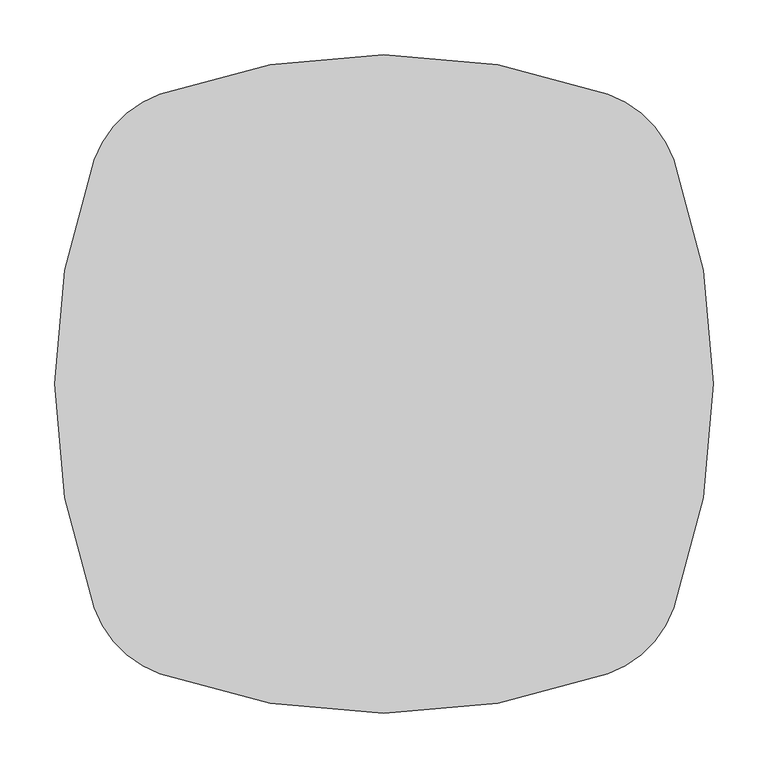
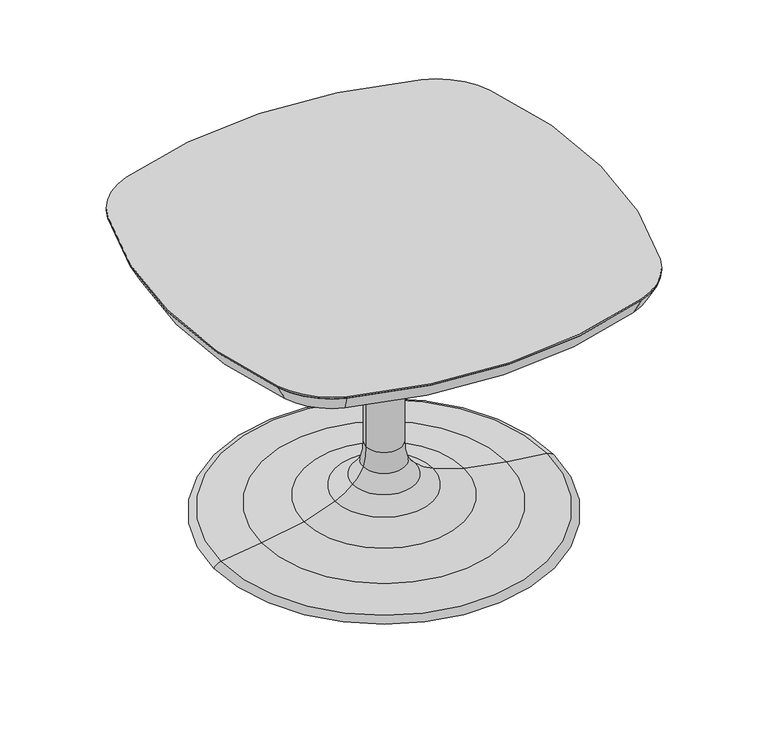
"""IFC4 building model written with IfcOpenShell, lengths in millimetres: furniture geometry."""

from ifc_helpers import new_model, si_unit, point, frame, frame_2d, origin, place, context, project, spatial, polyline, circle_curve, ellipse_curve, trimmed, segment, composite_curve, outline, extrude, source, transform, mapped, element, save
from ifc_brep_helpers import plane_surface, cylinder_surface, revolved_surface, advanced_brep


def furniture_d8aa910e(model_context):
    return source(origin(), model_context, "Body", "SolidModel", [
        advanced_brep(
        [(-24.92375, 0.0, 103.9034704), (24.92375, 0.0, 103.9034704), (28.9852947, 0.0, 76.2614348), (-28.9852947, 0.0, 76.2614348), (-235.1702385, 0.0, 0.0), (235.1702385, 0.0, 0.0), (0.0, 0.0, 0.0), (-225.5797628, 0.0, 6.3317609), (225.5797628, 0.0, 6.3317609), (-169.5916105, 0.0, 13.7450132), (169.5916105, 0.0, 13.7450132), (-111.1444513, 0.0, 24.5145298), (111.1444513, 0.0, 24.5145298), (-67.9920708, 0.0, 39.4343904), (67.9920708, 0.0, 39.4343904), (-43.5947227, 0.0, 55.2178338), (43.5947227, 0.0, 55.2178338), (-24.92375, 0.0, 374.5992), (24.92375, 0.0, 374.5992), (0.0, 0.0, 374.5992)],
        [
            (0, 1, circle_curve(frame((0.0, 0.0, 103.9034704), z_axis=(0.0, 0.0, -1.0), x_axis=(1.0, 0.0, 0.0)), 24.92375)),
            (1, 2, circle_curve(frame((114.4590349, 0.0, 102.9398086), z_axis=(0.0, -1.0, 0.0), x_axis=(1.0, 0.0, 0.0)), 89.5404706)),
            (2, 3, circle_curve(frame((0.0, 0.0, 76.2614348), z_axis=(0.0, 0.0, 1.0), x_axis=(1.0, 0.0, 0.0)), 28.9852947)),
            (3, 0, circle_curve(frame((-114.4590349, 0.0, 102.9398086), z_axis=(0.0, -1.0, 0.0), x_axis=(-1.0, 0.0, 0.0)), 89.5404706)),
            (1, 0, circle_curve(frame((0.0, 0.0, 103.9034704), z_axis=(0.0, 0.0, -1.0), x_axis=(1.0, 0.0, 0.0)), 24.92375)),
            (3, 2, circle_curve(frame((0.0, 0.0, 76.2614348), z_axis=(0.0, 0.0, 1.0), x_axis=(1.0, 0.0, 0.0)), 28.9852947)),
            (4, 5, circle_curve(frame((0.0, 0.0, 0.0), z_axis=(0.0, 0.0, -1.0), x_axis=(1.0, 0.0, 0.0)), 235.1702385)),
            (5, 6),
            (6, 4),
            (5, 4, circle_curve(frame((0.0, 0.0, 0.0), z_axis=(0.0, 0.0, -1.0), x_axis=(1.0, 0.0, 0.0)), 235.1702385)),
            (7, 8, circle_curve(frame((0.0, 0.0, 6.3317609), z_axis=(0.0, 0.0, -1.0), x_axis=(1.0, 0.0, 0.0)), 225.5797628)),
            (8, 5, circle_curve(frame((223.5189163, 0.0, -7.2187678), z_axis=(0.0, 1.0, 0.0), x_axis=(1.0, 0.0, 0.0)), 13.7063459)),
            (4, 7, circle_curve(frame((-223.5189163, 0.0, -7.2187678), z_axis=(0.0, 1.0, 0.0), x_axis=(-1.0, 0.0, 0.0)), 13.7063459)),
            (8, 7, circle_curve(frame((0.0, 0.0, 6.3317609), z_axis=(0.0, 0.0, -1.0), x_axis=(1.0, 0.0, 0.0)), 225.5797628)),
            (9, 10, circle_curve(frame((0.0, 0.0, 13.7450132), z_axis=(0.0, 0.0, -1.0), x_axis=(1.0, 0.0, 0.0)), 169.5916105)),
            (10, 8, circle_curve(frame((5.4338515, 0.0, -1441.1770536), z_axis=(0.0, 1.0, 0.0), x_axis=(1.0, 0.0, 0.0)), 1464.1536771)),
            (7, 9, circle_curve(frame((-5.4338515, 0.0, -1441.1770536), z_axis=(0.0, 1.0, 0.0), x_axis=(-1.0, 0.0, 0.0)), 1464.1536771)),
            (10, 9, circle_curve(frame((0.0, 0.0, 13.7450132), z_axis=(0.0, 0.0, -1.0), x_axis=(1.0, 0.0, 0.0)), 169.5916105)),
            (11, 12, circle_curve(frame((0.0, 0.0, 24.5145298), z_axis=(0.0, 0.0, -1.0), x_axis=(1.0, 0.0, 0.0)), 111.1444513)),
            (12, 10, circle_curve(frame((217.3187895, 0.0, 436.7486305), z_axis=(0.0, -1.0, 0.0), x_axis=(1.0, 0.0, 0.0)), 425.687613)),
            (9, 11, circle_curve(frame((-217.3187895, 0.0, 436.7486305), z_axis=(0.0, -1.0, 0.0), x_axis=(-1.0, 0.0, 0.0)), 425.687613)),
            (12, 11, circle_curve(frame((0.0, 0.0, 24.5145298), z_axis=(0.0, 0.0, -1.0), x_axis=(1.0, 0.0, 0.0)), 111.1444513)),
            (13, 14, circle_curve(frame((0.0, 0.0, 39.4343904), z_axis=(0.0, 0.0, -1.0), x_axis=(1.0, 0.0, 0.0)), 67.9920708)),
            (14, 12, circle_curve(frame((181.690368, 0.0, 298.4171793), z_axis=(0.0, -1.0, 0.0), x_axis=(1.0, 0.0, 0.0)), 282.8416301)),
            (11, 13, circle_curve(frame((-181.690368, 0.0, 298.4171793), z_axis=(0.0, -1.0, 0.0), x_axis=(-1.0, 0.0, 0.0)), 282.8416301)),
            (14, 13, circle_curve(frame((0.0, 0.0, 39.4343904), z_axis=(0.0, 0.0, -1.0), x_axis=(1.0, 0.0, 0.0)), 67.9920708)),
            (15, 16, circle_curve(frame((0.0, 0.0, 55.2178338), z_axis=(0.0, 0.0, -1.0), x_axis=(1.0, 0.0, 0.0)), 43.5947227)),
            (16, 14, circle_curve(frame((104.5303424, 0.0, 122.6615249), z_axis=(0.0, -1.0, 0.0), x_axis=(1.0, 0.0, 0.0)), 90.894451)),
            (13, 15, circle_curve(frame((-104.5303424, 0.0, 122.6615249), z_axis=(0.0, -1.0, 0.0), x_axis=(-1.0, 0.0, 0.0)), 90.894451)),
            (16, 15, circle_curve(frame((0.0, 0.0, 55.2178338), z_axis=(0.0, 0.0, -1.0), x_axis=(1.0, 0.0, 0.0)), 43.5947227)),
            (2, 16, circle_curve(frame((81.3908921, 0.0, 97.0507254), z_axis=(0.0, -1.0, 0.0), x_axis=(1.0, 0.0, 0.0)), 56.3785529)),
            (15, 3, circle_curve(frame((-81.3908921, 0.0, 97.0507254), z_axis=(0.0, -1.0, 0.0), x_axis=(-1.0, 0.0, 0.0)), 56.3785529)),
            (17, 18, circle_curve(frame((0.0, 0.0, 374.5992), z_axis=(0.0, 0.0, -1.0), x_axis=(1.0, 0.0, 0.0)), 24.92375)),
            (18, 1),
            (0, 17),
            (18, 17, circle_curve(frame((0.0, 0.0, 374.5992), z_axis=(0.0, 0.0, -1.0), x_axis=(1.0, 0.0, 0.0)), 24.92375)),
            (19, 18),
            (17, 19),
        ],
        [
            revolved_surface(trimmed(ellipse_curve(frame((114.4590349, 0.0, 102.9398086), z_axis=(0.0, 1.0, 0.0), x_axis=(1.0, 0.0, 0.0)), 89.5404706, 89.5404706), [point((28.9852947, 0.0, 76.2614348))], [point((24.92375, 0.0, 103.9034704))], True, "CARTESIAN"), (0.0, 0.0, 1826.894979), (0.0, 0.0, 1.0)),
            plane_surface(frame((0.0, 0.0, 0.0), z_axis=(0.0, 0.0, -1.0), x_axis=(1.0, 0.0, 0.0))),
            revolved_surface(trimmed(ellipse_curve(frame((223.5189163, 0.0, -7.2187678), z_axis=(0.0, -1.0, 0.0), x_axis=(1.0, 0.0, 0.0)), 13.7063459, 13.7063459), [point((235.1702385, 0.0, 0.0))], [point((225.5797628, 0.0, 6.3317609))], True, "CARTESIAN"), (0.0, 0.0, 1826.894979), (0.0, 0.0, 1.0)),
            revolved_surface(trimmed(ellipse_curve(frame((5.4338515, 0.0, -1441.1770536), z_axis=(0.0, -1.0, 0.0), x_axis=(1.0, 0.0, 0.0)), 1464.1536771, 1464.1536771), [point((225.5797628, 0.0, 6.3317609))], [point((169.5916105, 0.0, 13.7450132))], True, "CARTESIAN"), (0.0, 0.0, 1826.894979), (0.0, 0.0, 1.0)),
            revolved_surface(trimmed(ellipse_curve(frame((217.3187895, 0.0, 436.7486305), z_axis=(0.0, 1.0, 0.0), x_axis=(1.0, 0.0, 0.0)), 425.687613, 425.687613), [point((169.5916105, 0.0, 13.7450132))], [point((111.1444513, 0.0, 24.5145298))], True, "CARTESIAN"), (0.0, 0.0, 1826.894979), (0.0, 0.0, 1.0)),
            revolved_surface(trimmed(ellipse_curve(frame((181.690368, 0.0, 298.4171793), z_axis=(0.0, 1.0, 0.0), x_axis=(1.0, 0.0, 0.0)), 282.8416301, 282.8416301), [point((111.1444513, 0.0, 24.5145298))], [point((67.9920708, 0.0, 39.4343904))], True, "CARTESIAN"), (0.0, 0.0, 1826.894979), (0.0, 0.0, 1.0)),
            revolved_surface(trimmed(ellipse_curve(frame((104.5303424, 0.0, 122.6615249), z_axis=(0.0, 1.0, 0.0), x_axis=(1.0, 0.0, 0.0)), 90.894451, 90.894451), [point((67.9920708, 0.0, 39.4343904))], [point((43.5947227, 0.0, 55.2178338))], True, "CARTESIAN"), (0.0, 0.0, 1826.894979), (0.0, 0.0, 1.0)),
            revolved_surface(trimmed(ellipse_curve(frame((81.3908921, 0.0, 97.0507254), z_axis=(0.0, 1.0, 0.0), x_axis=(1.0, 0.0, 0.0)), 56.3785529, 56.3785529), [point((43.5947227, 0.0, 55.2178338))], [point((28.9852947, 0.0, 76.2614348))], True, "CARTESIAN"), (0.0, 0.0, 1826.894979), (0.0, 0.0, 1.0)),
            cylinder_surface(frame((0.0, 0.0, 1826.894979), z_axis=(0.0, 0.0, 1.0), x_axis=(1.0, 0.0, 0.0)), 24.92375),
            plane_surface(frame((0.0, 0.0, 374.5992), z_axis=(0.0, 0.0, 1.0), x_axis=(1.0, 0.0, 0.0))),
        ],
        [
            (0, [[1, 2, 3, 4]]),
            (0, [[5, -4, 6, -2]]),
            (1, [[7, 8, 9]]),
            (1, [[10, -9, -8]]),
            (2, [[11, 12, -7, 13]]),
            (2, [[14, -13, -10, -12]]),
            (3, [[15, 16, -11, 17]]),
            (3, [[18, -17, -14, -16]]),
            (4, [[19, 20, -15, 21]]),
            (4, [[22, -21, -18, -20]]),
            (5, [[23, 24, -19, 25]]),
            (5, [[26, -25, -22, -24]]),
            (6, [[27, 28, -23, 29]]),
            (6, [[30, -29, -26, -28]]),
            (7, [[-3, 31, -27, 32]]),
            (7, [[-6, -32, -30, -31]]),
            (8, [[33, 34, -1, 35]]),
            (8, [[36, -35, -5, -34]]),
            (9, [[37, -33, 38]]),
            (9, [[-38, -36, -37]]),
        ],
    ),
        advanced_brep(
        [(-264.1875437, -204.1874282, 397.4592), (-204.187464, -264.187508, 397.4592), (204.1873913, -264.187508, 397.4592), (264.1873627, -204.1875366, 397.4592), (264.1873627, 204.1873913, 397.4592), (204.1873913, 264.1873627, 397.4592), (-204.187464, 264.1873627, 397.4592), (-264.1875437, 204.1872829, 397.4592), (-252.2455553, -199.8655176, 374.5992), (-252.2455553, 199.8653723, 374.5992), (-199.8655533, 252.2453742, 374.5992), (199.8654807, 252.2453742, 374.5992), (252.2453742, 199.8654807, 374.5992), (252.2453742, -199.865626, 374.5992), (199.8654807, -252.2455195, 374.5992), (-199.8655533, -252.2455195, 374.5992)],
        [
            (0, 1, circle_curve(frame((-170.1569742, -170.1569384, 397.4592), z_axis=(0.0, 0.0, 1.0), x_axis=(-0.9403140528037179, -0.3403079224758758, 0.0)), 99.9991112)),
            (1, 2, circle_curve(frame((-3.63e-05, 300.0083126, 397.4592), z_axis=(0.0, 0.0, 1.0), x_axis=(-0.3403079224829072, -0.9403140528011732, 0.0)), 600.007858)),
            (2, 3, circle_curve(frame((170.156963, -170.1571083, 397.4592), z_axis=(-2.4380497620768454e-12, 2.4587739252031814e-12, 1.0), x_axis=(0.34030792248213193, -0.9403140528014539, 3.14177228736909e-12)), 99.9989306)),
            (3, 4, circle_curve(frame((-300.0085584, -7.27e-05, 397.4592), z_axis=(0.0, 0.0, 1.0), x_axis=(0.9403140528023562, -0.3403079224796386, 0.0)), 600.0079647)),
            (4, 5, circle_curve(frame((170.156963, 170.156963, 397.4592), z_axis=(2.2682596541775043e-11, 2.2561212157749362e-11, 1.0), x_axis=(0.9403140527998477, 0.34030792248656994, -2.9006584673020455e-11)), 99.9989306)),
            (5, 6, circle_curve(frame((-3.63e-05, -300.008458, 397.4592), z_axis=(0.0, 0.0, 1.0), x_axis=(0.3403079225097323, 0.9403140527914651, 0.0)), 600.007858)),
            (6, 7, circle_curve(frame((-170.1569742, 170.1567931, 397.4592), z_axis=(-1.965242783323145e-11, 1.9926282845972323e-11, 1.0), x_axis=(-0.3403079224706029, 0.9403140528056262, -2.542474022831085e-11)), 99.9991112)),
            (7, 0, circle_curve(frame((300.0080778, -7.27e-05, 397.4592), z_axis=(0.0, 0.0, 1.0), x_axis=(-0.9403140527949745, 0.3403079225000352, 0.0)), 600.0076463)),
            (8, 9, circle_curve(frame((300.0080778, -7.27e-05, 374.5992), z_axis=(0.0, 0.0, -1.0), x_axis=(-0.9403140527949745, 0.3403079225000352, 0.0)), 587.3076463)),
            (9, 10, circle_curve(frame((-170.1569742, 170.1567931, 374.5992), z_axis=(1.965242783323145e-11, -1.9926282845972323e-11, -1.0), x_axis=(-0.3403079224706029, 0.9403140528056262, -2.542474022831085e-11)), 87.2991112)),
            (10, 11, circle_curve(frame((-3.63e-05, -300.008458, 374.5992), z_axis=(0.0, 0.0, -1.0), x_axis=(0.3403079225097323, 0.9403140527914651, 0.0)), 587.307858)),
            (11, 12, circle_curve(frame((170.156963, 170.156963, 374.5992), z_axis=(-2.2682596541775043e-11, -2.2561212157749362e-11, -1.0), x_axis=(0.9403140527998477, 0.34030792248656994, -2.9006584673020455e-11)), 87.2989306)),
            (12, 13, circle_curve(frame((-300.0085584, -7.27e-05, 374.5992), z_axis=(0.0, 0.0, -1.0), x_axis=(0.9403140528023562, -0.3403079224796386, 0.0)), 587.3079647)),
            (13, 14, circle_curve(frame((170.156963, -170.1571083, 374.5992), z_axis=(2.4380497620768454e-12, -2.4587739252031814e-12, -1.0), x_axis=(0.34030792248213193, -0.9403140528014539, 3.14177228736909e-12)), 87.2989306)),
            (14, 15, circle_curve(frame((-3.63e-05, 300.0083126, 374.5992), z_axis=(0.0, 0.0, -1.0), x_axis=(-0.3403079224829072, -0.9403140528011732, 0.0)), 587.307858)),
            (15, 8, circle_curve(frame((-170.1569742, -170.1569384, 374.5992), z_axis=(0.0, 0.0, -1.0), x_axis=(-0.9403140528037179, -0.3403079224758758, 0.0)), 87.2991112)),
            (15, 1),
            (0, 8),
            (14, 2),
            (13, 3),
            (12, 4),
            (11, 5),
            (10, 6),
            (9, 7),
        ],
        [
            plane_surface(frame((-6.34e-05, -7.27e-05, 397.4592), z_axis=(0.0, 0.0, 1.0000000000000002), x_axis=(-0.34030792247608904, -0.9403140528036409, 0.0))),
            plane_surface(frame((-6.34e-05, -7.27e-05, 374.5992), z_axis=(0.0, 0.0, -1.0000000000000002), x_axis=(-0.34030792247608904, -0.9403140528036409, 0.0))),
            revolved_surface(polyline([(-199.86555338321887, -252.24551952306018, 374.5992), (-204.187464, -264.187508, 397.4592)]), (-170.1569742, -170.1569384, 217.4607998), (0.0, 0.0, 1.0)),
            revolved_surface(polyline([(199.8654806846892, -252.24551952976987, 374.5992000000001), (204.1873913, -264.1875079999999, 397.4592)]), (-3.63e-05, 300.0083126, -682.5549443), (0.0, 0.0, 1.0)),
            revolved_surface(polyline([(252.24537423180163, -199.8656259878679, 374.5991999999989), (264.1873627001635, -204.18753660005916, 397.4592000003129)]), (170.156963, -170.1571083, 217.4611249), (-2.4380497620768454e-12, 2.4587739252031814e-12, 1.0)),
            revolved_surface(polyline([(252.2453742277517, 199.86548068336256, 374.5992), (264.18736270000005, 204.1873913, 397.4591999999999)]), (-300.0085584, -7.27e-05, -682.5551365), (0.0, 0.0, 1.0)),
            revolved_surface(polyline([(199.86548068739057, 252.2453742304827, 374.5991999974741), (204.1873913000014, 264.1873627000038, 397.4592000000073)]), (170.156963, 170.156963, 217.4611249), (2.2682596541775043e-11, 2.2561212157749362e-11, 1.0)),
            revolved_surface(polyline([(-199.86555338257256, 252.24537422765331, 374.5992000000001), (-204.187464, 264.1873627, 397.4592)]), (-3.63e-05, -300.008458, -682.5549443), (0.0, 0.0, 1.0)),
            revolved_surface(polyline([(-252.24555522854268, 199.86537228520302, 374.5991999977948), (-264.1875437000086, 204.1872829000031, 397.45920000001644)]), (-170.1569741, 170.1567931, 217.4607997), (-1.965242783323145e-11, 1.9926282845972323e-11, 1.0)),
            revolved_surface(polyline([(-252.2455552311851, -199.86551758613183, 374.5992), (-264.1875437, -204.1874282, 397.4591999999999)]), (300.0080778, -7.27e-05, -682.5545633), (0.0, 0.0, 1.0)),
        ],
        [
            (0, [[1, 2, 3, 4, 5, 6, 7, 8]]),
            (1, [[9, 10, 11, 12, 13, 14, 15, 16]]),
            (2, [[-16, 17, -1, 18]]),
            (3, [[-15, 19, -2, -17]]),
            (4, [[-14, 20, -3, -19]]),
            (5, [[-13, 21, -4, -20]]),
            (6, [[-12, 22, -5, -21]]),
            (7, [[-11, 23, -6, -22]]),
            (8, [[-10, 24, -7, -23]]),
            (9, [[-9, -18, -8, -24]]),
        ],
    ),
        extrude(outline(composite_curve([segment(trimmed(circle_curve(frame_2d((170.156963, 170.156963)), 99.9989306), [point((204.1873913, 264.1873627))], [point((264.1873627, 204.1873913))], False, "CARTESIAN"), True, "CONTINUOUS"), segment(trimmed(circle_curve(frame_2d((-300.0085584, -7.27e-05)), 600.0079647), [point((264.1873627, 204.1873913))], [point((264.1873627, -204.1875366))], False, "CARTESIAN"), True, "CONTINUOUS"), segment(trimmed(circle_curve(frame_2d((170.156963, -170.1571083)), 99.9989306), [point((264.1873627, -204.1875366))], [point((204.1873913, -264.187508))], False, "CARTESIAN"), True, "CONTINUOUS"), segment(trimmed(circle_curve(frame_2d((-3.63e-05, 300.0083126)), 600.007858), [point((204.1873913, -264.187508))], [point((-204.187464, -264.187508))], False, "CARTESIAN"), True, "CONTINUOUS"), segment(trimmed(circle_curve(frame_2d((-170.1569742, -170.1569384)), 99.9991112), [point((-204.187464, -264.187508))], [point((-264.1875437, -204.1874282))], False, "CARTESIAN"), True, "CONTINUOUS"), segment(trimmed(circle_curve(frame_2d((300.0080778, -7.27e-05)), 600.0076463), [point((-264.1875437, -204.1874282))], [point((-264.1875437, 204.1872829))], False, "CARTESIAN"), True, "CONTINUOUS"), segment(trimmed(circle_curve(frame_2d((-170.1569742, 170.1567931)), 99.9991112), [point((-264.1875437, 204.1872829))], [point((-204.187464, 264.1873627))], False, "CARTESIAN"), True, "CONTINUOUS"), segment(trimmed(circle_curve(frame_2d((-3.63e-05, -300.008458)), 600.007858), [point((-204.187464, 264.1873627))], [point((204.1873913, 264.1873627))], False, "CARTESIAN"), True, "CONTINUOUS")], self_intersect=False)), frame((0.0, 0.0, 397.4592), z_axis=(0.0, 0.0, 1.0), x_axis=(1.0, 0.0, 0.0)), (0.0, 0.0, 1.0), 2.54),
    ])


if __name__ == "__main__":
    model = new_model("IFC4")
    model_context = context("Model", 3, world=origin())
    ifc_project = project(units=[si_unit("LENGTHUNIT", "METRE", prefix="MILLI")], contexts=[model_context])
    site = spatial("IfcSite", under=ifc_project)
    building = spatial("IfcBuilding", under=site)
    placement = place(None, origin())
    furniture_shape = furniture_d8aa910e(model_context)
    element("IfcFurniture", 1, at=placement, inside=building, context=model_context, shape_type="MappedRepresentation", body=[
        mapped(furniture_shape, transform((0.0, 0.0, 0.0), x_axis=(1.0, 0.0, 0.0), y_axis=(0.0, 1.0, 0.0), z_axis=(0.0, 0.0, 1.0))),
    ])
    save(model, "model.ifc")
